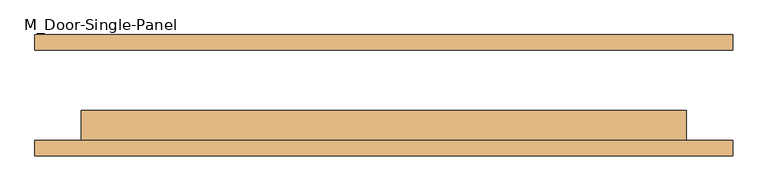
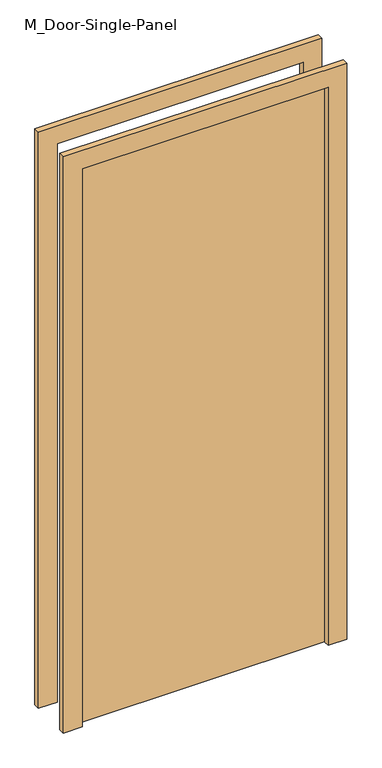
"""IFC4 building model written with IfcOpenShell, lengths in millimetres: door geometry, M_Door-Single-Panel."""

from ifc_helpers import new_model, si_unit, frame, origin, origin_with_axes, place, context, project, spatial, polyline, outline, extrude, source, transform, mapped, element, save


def m_door_single_panel_6a71a1b3(model_context):
    return source(origin(), model_context, "Body", "SweptSolid", [
        extrude(outline(polyline([(500.0, -25.0), (500.0, -75.0), (-500.0, -75.0), (-500.0, -25.0), (500.0, -25.0)])), origin_with_axes(), (0.0, 0.0, 1.0), 2400.0),
        extrude(outline(polyline([(2476.2, -576.2), (0.0, -576.2), (0.0, -500.0), (2400.0, -500.0), (2400.0, 500.0), (0.0, 500.0), (0.0, 576.2), (2476.2, 576.2), (2476.2, -576.2)])), frame((0.0, -100.0, 0.0), z_axis=(0.0, 1.0, 0.0), x_axis=(0.0, 0.0, 1.0)), (0.0, 0.0, 1.0), 25.0),
        extrude(outline(polyline([(2476.2, 576.2), (2476.2, -576.2), (0.0, -576.2), (0.0, -500.0), (2400.0, -500.0), (2400.0, 500.0), (0.0, 500.0), (0.0, 576.2), (2476.2, 576.2)])), frame((0.0, 75.0, 0.0), z_axis=(0.0, 1.0, 0.0), x_axis=(0.0, 0.0, 1.0)), (0.0, 0.0, 1.0), 25.0),
    ])


if __name__ == "__main__":
    model = new_model("IFC4")
    model_context = context("Model", 3, world=origin())
    ifc_project = project(units=[si_unit("LENGTHUNIT", "METRE", prefix="MILLI")], contexts=[model_context])
    site = spatial("IfcSite", under=ifc_project)
    building = spatial("IfcBuilding", under=site)
    placement = place(None, origin())
    m_door_single_panel_shape = m_door_single_panel_6a71a1b3(model_context)
    element("IfcDoor", 1, ObjectType="M_Door-Single-Panel", at=placement, inside=building, context=model_context, shape_type="MappedRepresentation", body=[
        mapped(m_door_single_panel_shape, transform((0.0, 0.0, 0.0), x_axis=(1.0, 0.0, 0.0), y_axis=(0.0, 1.0, 0.0), z_axis=(0.0, 0.0, 1.0))),
    ])
    save(model, "model.ifc")
